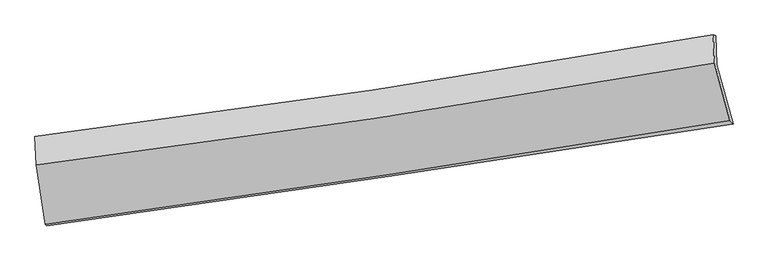
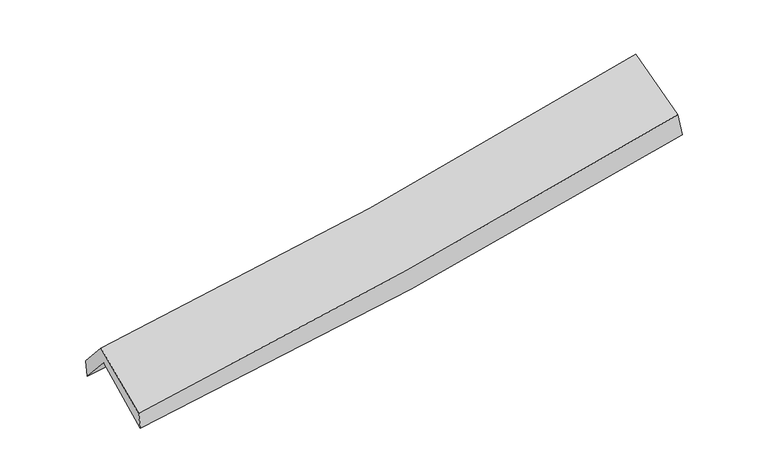
"""IFC4 building model written with IfcOpenShell, lengths in millimetres: proxy geometry."""

import ifcopenshell
import ifcopenshell.guid

model = None  # the IFC model being written
_history = None  # IfcOwnerHistory: only IFC2X3 demands one
_inside = {}  # id of a spatial element -> (the spatial element, [elements in it])
_under = {}  # id of a project, library or spatial element -> (it, [spatial elements below it])
_declared = {}  # id of a project -> (the project, [libraries it declares])
_typed = {}  # id of a type object -> (the type object, [elements of that type])
_made_of = {}  # id of a material, layer set ... -> (it, [elements and type objects made of it])


def new_model(schema):
    """Start an empty IFC model of exactly this schema.

    Asked for "IFC4X3", IfcOpenShell would pick the latest addendum, in which some entities
    have other attributes; the version numbers below select the first issue.
    IFC2X3 requires an IfcOwnerHistory on every rooted entity: one is made here for all.
    """
    global model, _history
    if schema == "IFC4X3":
        model = ifcopenshell.file(schema_version=(4, 3, 0, 0))
    else:
        model = ifcopenshell.file(schema=schema)
    _inside.clear()
    _under.clear()
    _declared.clear()
    _typed.clear()
    _made_of.clear()
    _history = None
    if model.schema == "IFC2X3":
        org = make("IfcOrganization", Name="unknown")
        user = make(
            "IfcPersonAndOrganization",
            ThePerson=make("IfcPerson", FamilyName="unknown"),
            TheOrganization=org,
        )
        app = make(
            "IfcApplication",
            ApplicationDeveloper=org,
            Version="unknown",
            ApplicationFullName="unknown",
            ApplicationIdentifier="unknown",
        )
        _history = make(
            "IfcOwnerHistory",
            OwningUser=user,
            OwningApplication=app,
            ChangeAction="ADDED",
            CreationDate=0,
        )
    return model


def make(cls, **values):
    """One entity of the class cls with the attributes given. An attribute that is None is left unset."""
    return model.create_entity(
        cls, **{name: value for name, value in values.items() if value is not None}
    )


def rooted(cls, **values):
    """An entity with a GlobalId (a new one), such as an element, a storey or a relation."""
    return make(cls, GlobalId=ifcopenshell.guid.new(), OwnerHistory=_history, **values)


def si_unit(unit_type, name, prefix=None):
    """IfcSIUnit, for example si_unit("LENGTHUNIT", "METRE", prefix="MILLI")."""
    return make("IfcSIUnit", UnitType=unit_type, Prefix=prefix, Name=name)


def assignment(units):
    """IfcUnitAssignment: the units of a project."""
    return None if units is None else make("IfcUnitAssignment", Units=units)


def point(xyz):
    """IfcCartesianPoint."""
    return None if xyz is None else make("IfcCartesianPoint", Coordinates=xyz)


def direction(xyz):
    """IfcDirection."""
    return None if xyz is None else make("IfcDirection", DirectionRatios=xyz)


def frame(location, z_axis=None, x_axis=None):
    """IfcAxis2Placement3D, a coordinate frame: its origin and axes. An axis left out is left unset."""
    return make(
        "IfcAxis2Placement3D",
        Location=point(location),
        Axis=direction(z_axis),
        RefDirection=direction(x_axis),
    )


def origin():
    """The frame at (0, 0, 0) with its axes left unset."""
    return frame((0.0, 0.0, 0.0))


def place(relative_to, where):
    """IfcLocalPlacement: puts the frame where relative to a parent placement (None: the world)."""
    return make(
        "IfcLocalPlacement", PlacementRelTo=relative_to, RelativePlacement=where
    )


def context(
    kind, dimensions, precision=None, world=None, true_north=None, identifier=None
):
    """IfcGeometricRepresentationContext, for example the 3D "Model" context."""
    return make(
        "IfcGeometricRepresentationContext",
        ContextIdentifier=identifier,
        ContextType=kind,
        CoordinateSpaceDimension=dimensions,
        Precision=precision,
        WorldCoordinateSystem=world,
        TrueNorth=true_north,
    )


def project(units=None, contexts=None):
    """IfcProject with its units and contexts."""
    return rooted(
        "IfcProject",
        Name="project",
        RepresentationContexts=contexts,
        UnitsInContext=assignment(units),
    )


def spatial(cls, under=None, at=None, **own):
    """A site, building, storey or space (cls), placed at a placement, below another one or the project."""
    s = rooted(cls, ObjectPlacement=at, **own)
    if under is not None:
        _under.setdefault(under.id(), (under, []))[1].append(s)
    return s


def shape(context_of_items, identifier, shape_type, items):
    """IfcShapeRepresentation: the items that make up one representation, for example the "Body"."""
    return make(
        "IfcShapeRepresentation",
        ContextOfItems=context_of_items,
        RepresentationIdentifier=identifier,
        RepresentationType=shape_type,
        Items=items,
    )


def source(mapping_origin, context_of_items, identifier, shape_type, items):
    """IfcRepresentationMap: a shape defined once, which mapped items show again and again."""
    return make(
        "IfcRepresentationMap",
        MappingOrigin=mapping_origin,
        MappedRepresentation=shape(context_of_items, identifier, shape_type, items),
    )


def transform(
    local_origin,
    x_axis=None,
    y_axis=None,
    z_axis=None,
    scale=None,
    scale2=None,
    scale3=None,
    uniform=True,
):
    """IfcCartesianTransformationOperator3D, or its non-uniform kind. x_axis, y_axis, z_axis: its Axis1, 2, 3."""
    if uniform:
        return make(
            "IfcCartesianTransformationOperator3D",
            Axis1=direction(x_axis),
            Axis2=direction(y_axis),
            LocalOrigin=point(local_origin),
            Scale=scale,
            Axis3=direction(z_axis),
        )
    return make(
        "IfcCartesianTransformationOperator3DnonUniform",
        Axis1=direction(x_axis),
        Axis2=direction(y_axis),
        LocalOrigin=point(local_origin),
        Scale=scale,
        Axis3=direction(z_axis),
        Scale2=scale2,
        Scale3=scale3,
    )


def mapped(mapping_source, mapping_target):
    """IfcMappedItem: shows the shape of a source again, moved by a transform."""
    return make(
        "IfcMappedItem", MappingSource=mapping_source, MappingTarget=mapping_target
    )


def made_of(thing, what):
    """Note that an element or type object is made of a material, layer set ...; save() writes the relation."""
    if what is not None:
        _made_of.setdefault(what.id(), (what, []))[1].append(thing)
    return thing


def element(
    cls,
    number,
    at=None,
    inside=None,
    cuts=None,
    type_object=None,
    material=None,
    context=None,
    identifier="Body",
    shape_type=None,
    held_by="IfcProductDefinitionShape",
    body=None,
    shapes=None,
    **own,
):
    """One element of the class cls, such as IfcWall. Its Tag is "e" and its number.

    at: its placement. inside: the storey or other place that contains it. cuts: it is an
    opening in that element (IfcRelVoidsElement). A single representation is given by context,
    identifier, shape_type and body (its items); several are given by shapes. held_by: the class
    of the entity that holds the representations. save() writes the other relations.
    """
    e = rooted(cls, Tag="e%d" % number, ObjectPlacement=at, **own)
    if body is not None:
        shapes = [shape(context, identifier, shape_type, body)]
    if shapes is not None:
        e.Representation = make(held_by, Representations=shapes)
    if inside is not None:
        _inside.setdefault(inside.id(), (inside, []))[1].append(e)
    if cuts is not None:
        rooted(
            "IfcRelVoidsElement", RelatingBuildingElement=cuts, RelatedOpeningElement=e
        )
    if type_object is not None:
        _typed.setdefault(type_object.id(), (type_object, []))[1].append(e)
    return made_of(e, material)


def aggregate(whole, parts):
    """IfcRelAggregates: a whole, such as a stair, and the parts it consists of."""
    return rooted("IfcRelAggregates", RelatingObject=whole, RelatedObjects=parts)


def save(model, path):
    """Write the relations noted so far, then the file.

    IfcRelAggregates (storeys below a building ...), IfcRelContainedInSpatialStructure (elements
    in a storey), IfcRelDefinesByType, IfcRelAssociatesMaterial and IfcRelDeclares: one each for
    every whole, place, type object, material and project.
    """
    for whole, parts in _under.values():
        aggregate(whole, parts)
    for where, things in _inside.values():
        rooted(
            "IfcRelContainedInSpatialStructure",
            RelatedElements=things,
            RelatingStructure=where,
        )
    for kind, things in _typed.values():
        rooted("IfcRelDefinesByType", RelatedObjects=things, RelatingType=kind)
    for what, things in _made_of.values():
        rooted("IfcRelAssociatesMaterial", RelatedObjects=things, RelatingMaterial=what)
    for by, libraries in _declared.values():
        rooted("IfcRelDeclares", RelatingContext=by, RelatedDefinitions=libraries)
    model.write(path)


def plane_surface(at):
    """IfcPlane: the flat surface through the origin of the frame at, square to its z axis."""
    return make("IfcPlane", Position=at)


def spline_curve(degree, points, multiplicities, knots, weights=None):
    """IfcBSplineCurveWithKnots; with weights, IfcRationalBSplineCurveWithKnots."""
    own = dict(
        Degree=degree,
        ControlPointsList=[point(p) for p in points],
        CurveForm="UNSPECIFIED",
        ClosedCurve=False,
        SelfIntersect=False,
        KnotMultiplicities=multiplicities,
        Knots=knots,
        KnotSpec="UNSPECIFIED",
    )
    if weights is None:
        return make("IfcBSplineCurveWithKnots", **own)
    return make("IfcRationalBSplineCurveWithKnots", WeightsData=weights, **own)


def spline_surface(u_degree, v_degree, points, u_multiplicities, v_multiplicities, u_knots, v_knots, weights=None):
    """IfcBSplineSurfaceWithKnots; with weights, IfcRationalBSplineSurfaceWithKnots. points: one row for each step in u."""
    own = dict(
        UDegree=u_degree,
        VDegree=v_degree,
        ControlPointsList=[[point(p) for p in row] for row in points],
        SurfaceForm="UNSPECIFIED",
        UClosed=False,
        VClosed=False,
        SelfIntersect=False,
        UMultiplicities=u_multiplicities,
        VMultiplicities=v_multiplicities,
        UKnots=u_knots,
        VKnots=v_knots,
        KnotSpec="UNSPECIFIED",
    )
    if weights is None:
        return make("IfcBSplineSurfaceWithKnots", **own)
    return make("IfcRationalBSplineSurfaceWithKnots", WeightsData=weights, **own)


def advanced_brep(points, edges, surfaces, faces):
    """IfcAdvancedBrep: a solid bounded by faces that lie on surfaces and meet in shared edges.

    An edge is (start, end): straight between two places in points (the first is 0);
    or (start, end, curve); or (start, end, curve, False) where it runs against its curve.
    A face is (place in surfaces, loops), or (place, loops, False) where it looks against
    its surface's normal. A loop lists edges by number (the first is 1), with a minus sign
    where the edge is run from its end to its start. The first loop is the outer one.
    """
    corners = [point(p) for p in points]
    vertices = [make("IfcVertexPoint", VertexGeometry=c) for c in corners]
    made = []
    for start, end, *more in edges:
        made.append(
            make(
                "IfcEdgeCurve",
                EdgeStart=vertices[start],
                EdgeEnd=vertices[end],
                EdgeGeometry=more[0] if more else make("IfcPolyline", Points=[corners[start], corners[end]]),
                SameSense=more[1] if len(more) > 1 else True,
            )
        )
    hull = []
    for where, loops, *sense in faces:
        bounds = []
        for j, loop in enumerate(loops):
            ring = [make("IfcOrientedEdge", EdgeElement=made[abs(k) - 1], Orientation=k > 0) for k in loop]
            bounds.append(
                make(
                    "IfcFaceOuterBound" if j == 0 else "IfcFaceBound",
                    Bound=make("IfcEdgeLoop", EdgeList=ring),
                    Orientation=True,
                )
            )
        hull.append(make("IfcAdvancedFace", Bounds=bounds, FaceSurface=surfaces[where], SameSense=sense[0] if sense else True))
    return make("IfcAdvancedBrep", Outer=make("IfcClosedShell", CfsFaces=hull))


def generic_models_60cdfc1a(model_context):
    return source(origin(), model_context, "Body", "AdvancedBrep", [
        advanced_brep(
        [(-2920.7306998, -2523.4950946, 1464.249809), (-3000.3702698, -2022.0976559, 1890.4165295), (2944.0569032, -1111.2585088, 2395.4921351), (3085.7465576, -1630.7850968, 1964.4334263), (-3012.0178609, -1753.9337944, 1586.873801), (2934.8546322, -855.8094714, 2083.3351384), (-3022.8629593, -1742.5372453, 1751.7260221), (2911.1697017, -850.507458, 2280.4968543), (-3012.1196135, -1989.8825616, 2031.7036141), (2922.6973267, -1099.3126276, 2562.304848), (-2931.3795028, -2511.1934716, 1624.0312419), (3056.5835644, -1599.67291, 2169.4788711)],
        [
            (0, 1),
            (1, 2, spline_curve(3, [(-3000.3702698, -2022.0976559, 1890.4165295), (-2009.675569713, -1891.161518147, 1934.793186609), (-1022.247535712, -1750.363740564, 1998.65878396), (959.316683219, -1447.017844981, 2166.489359611), (1953.364373519, -1284.202573654, 2270.982297769), (2944.0569032, -1111.2585088, 2395.4921351)], [4, 2, 4], [0.0, 9.88379535676816, 19.90057308563476])),
            (2, 3),
            (3, 0, spline_curve(3, [(3085.7465576, -1630.7850968, 1964.4334263), (2082.166523497, -1788.620882183, 1836.6127274), (1076.477962178, -1942.401472118, 1730.888553125), (-925.736737164, -2239.864512857, 1564.743491669), (-1922.207261866, -2383.653922117, 1503.739793478), (-2920.7306998, -2523.4950946, 1464.249809)], [4, 2, 4], [0.0, 10.016777728866602, 19.90057308563476])),
            (1, 4),
            (4, 5, spline_curve(3, [(-3012.0178609, -1753.9337944, 1586.873801), (-2019.910140159, -1628.387062749, 1620.854212918), (-1031.569812618, -1491.347450236, 1678.778658126), (950.82307799, -1192.284020598, 1843.617122141), (1944.773581234, -1029.94885845, 1951.179789293), (2934.8546322, -855.8094714, 2083.3351384)], [4, 2, 4], [0.0, 9.837094209164519, 19.806542445832733])),
            (5, 2),
            (4, 6),
            (6, 7, spline_curve(3, [(-3022.8629593, -1742.5372453, 1751.7260221), (-2033.949165581, -1618.846651589, 1809.613521191), (-1048.272206581, -1483.24242271, 1882.227982118), (929.826366871, -1186.221903342, 2058.085969941), (1922.160294876, -1024.482869417, 2161.728453283), (2911.1697017, -850.507458, 2280.4968543)], [4, 2, 4], [0.0, 9.82764675763403, 19.78752043122508])),
            (7, 5),
            (6, 8),
            (8, 9, spline_curve(3, [(-3012.1196135, -1989.8825616, 2031.7036141), (-2023.061262411, -1866.959534815, 2090.479531152), (-1037.247055796, -1731.861687904, 2163.691670951), (941.113142351, -1435.334861572, 2340.16766866), (1933.571248801, -1273.576063593, 2443.822606925), (2922.6973267, -1099.3126276, 2562.304848)], [4, 2, 4], [0.0, 9.818548928107726, 19.76920236464503])),
            (9, 7),
            (8, 10),
            (10, 11, spline_curve(3, [(-2931.3795028, -2511.1934716, 1624.0312419), (-1935.77844999, -2372.754978068, 1686.337983959), (-942.301180676, -2228.124927979, 1762.548053205), (1053.744042158, -1924.452471174, 1943.987286024), (2056.254461715, -1765.242334356, 2049.593092864), (3056.5835644, -1599.67291, 2169.4788711)], [4, 2, 4], [0.0, 9.864927820528075, 19.862584158270487])),
            (11, 9),
            (10, 0),
            (3, 11),
        ],
        [
            spline_surface(3, 3, [[(-2920.7306998, -2523.4950946, 1464.249809), (-1922.207261924, -2383.653922133, 1503.73979337), (-925.736737298, -2239.864512861, 1564.743491568), (1076.477962314, -1942.401472113, 1730.888553228), (2082.166523516, -1788.620882106, 1836.612727502), (3085.7465576, -1630.7850968, 1964.4334263)], [(-2947.277223161, -2356.362615035, 1606.305382488), (-1951.36336452, -2219.489787456, 1647.424257739), (-957.907003439, -2076.697588688, 1709.381922303), (1037.42420263, -1777.273596436, 1876.088822065), (2039.232473564, -1620.481446002, 1981.402584234), (3038.516672802, -1457.609567466, 2108.119662576)], [(-2973.823746439, -2189.230135465, 1748.360956012), (-1980.519467033, -2055.325652774, 1791.108722142), (-990.077269596, -1913.530664577, 1854.020353069), (998.370442929, -1612.145720821, 2021.289090931), (1996.298423605, -1452.342009902, 2126.192440937), (2991.286787998, -1284.434038134, 2251.805898824)], [(-3000.3702698, -2022.0976559, 1890.4165295), (-2009.67556963, -1891.161518097, 1934.793186511), (-1022.247535737, -1750.363740403, 1998.658783805), (959.316683245, -1447.017845144, 2166.489359768), (1953.364373653, -1284.202573798, 2270.98229767), (2944.0569032, -1111.2585088, 2395.4921351)]], [4, 4], [4, 2, 4], [0.0, 2.1836852946558727], [0.0, 9.88379535676816, 19.90057308563476]),
            spline_surface(3, 3, [[(-3000.3702698, -2022.0976559, 1890.4165295), (-2009.67556963, -1891.161518097, 1934.793186511), (-1022.247535737, -1750.363740403, 1998.658783805), (959.316683245, -1447.017845144, 2166.489359768), (1953.364373653, -1284.202573798, 2270.98229767), (2944.0569032, -1111.2585088, 2395.4921351)], [(-3004.25280016, -1932.709702074, 1789.235619999), (-2013.087093165, -1803.570033023, 1830.146861973), (-1025.35496136, -1664.024977079, 1892.032075266), (956.485481445, -1362.106570272, 2058.86528053), (1950.500776169, -1199.451335415, 2164.381461517), (2940.989479524, -1026.108829689, 2291.439802853)], [(-3008.13533054, -1843.321748226, 1688.054710501), (-2016.498616722, -1715.978547929, 1725.500537437), (-1028.462386917, -1577.686213692, 1785.40536674), (953.654279711, -1277.195295337, 1951.241201304), (1947.637178712, -1114.700096964, 2057.780625406), (2937.922055876, -940.959150511, 2187.387470647)], [(-3012.0178609, -1753.9337944, 1586.873801), (-2019.910140257, -1628.387062855, 1620.854212899), (-1031.569812541, -1491.347450367, 1678.778658201), (950.823077912, -1192.284020465, 1843.617122066), (1944.773581228, -1029.948858582, 1951.179789253), (2934.8546322, -855.8094714, 2083.3351384)]], [4, 4], [4, 2, 4], [0.0, 1.3501147481747784], [0.0, 9.837094209164519, 19.806542445832733]),
            spline_surface(3, 3, [[(-3012.0178609, -1753.9337944, 1586.873801), (-2019.910140257, -1628.387062855, 1620.854212899), (-1031.569812541, -1491.347450367, 1678.778658201), (950.823077912, -1192.284020465, 1843.617122066), (1944.773581228, -1029.948858582, 1951.179789253), (2934.8546322, -855.8094714, 2083.3351384)], [(-3015.632893691, -1750.134944694, 1641.824541354), (-2024.589815374, -1625.206925784, 1683.773982362), (-1037.137277227, -1488.645774512, 1746.595099528), (943.82417424, -1190.263314679, 1915.106738032), (1937.235819116, -1028.12686221, 2021.362677228), (2926.95965538, -854.042133586, 2149.055710376)], [(-3019.247926509, -1746.336095006, 1696.775281746), (-2029.269490518, -1622.02678873, 1746.693751862), (-1042.704741917, -1485.944098728, 1814.411540812), (936.825270564, -1188.242608963, 1986.596353953), (1929.698056963, -1026.304865881, 2091.545565174), (2919.06467852, -852.274795814, 2214.776282324)], [(-3022.8629593, -1742.5372453, 1751.7260221), (-2033.949165634, -1618.846651659, 1809.613521325), (-1048.272206603, -1483.242422873, 1882.22798214), (929.826366893, -1186.221903178, 2058.085969919), (1922.160294851, -1024.48286951, 2161.728453149), (2911.1697017, -850.507458, 2280.4968543)]], [4, 4], [4, 2, 4], [0.0, 0.6889804860258096], [0.0, 9.82764675763403, 19.78752043122508]),
            spline_surface(3, 3, [[(-3022.8629593, -1742.5372453, 1751.7260221), (-2033.949165634, -1618.846651659, 1809.613521325), (-1048.272206603, -1483.242422873, 1882.22798214), (929.826366893, -1186.221903178, 2058.085969919), (1922.160294851, -1024.48286951, 2161.728453149), (2911.1697017, -850.507458, 2280.4968543)], [(-3019.281844027, -1824.985684074, 1845.0518861), (-2030.319864546, -1701.550946031, 1903.235524585), (-1044.597156262, -1566.115511235, 1976.049211723), (933.588625366, -1269.259555981, 2152.11320286), (1925.963946196, -1107.513934247, 2255.759837735), (2915.012243348, -933.442514547, 2374.432852201)], [(-3015.700728773, -1907.434122826, 1938.3777501), (-2026.690563476, -1784.255240381, 1996.857527846), (-1040.92210601, -1648.988599562, 2069.870441296), (937.35088375, -1352.297208748, 2246.140435791), (1929.767597598, -1190.544998942, 2349.791222315), (2918.854785052, -1016.377571053, 2468.368850099)], [(-3012.1196135, -1989.8825616, 2031.7036141), (-2023.061262387, -1866.959534753, 2090.479531106), (-1037.247055669, -1731.861687925, 2163.691670879), (941.113142222, -1435.334861552, 2340.167668732), (1933.571248944, -1273.576063679, 2443.8226069), (2922.6973267, -1099.3126276, 2562.304848)]], [4, 4], [4, 2, 4], [0.0, 1.2339561887685973], [0.0, 9.818548928107726, 19.76920236464503]),
            spline_surface(3, 3, [[(-3012.1196135, -1989.8825616, 2031.7036141), (-2023.061262387, -1866.959534753, 2090.479531106), (-1037.247055669, -1731.861687925, 2163.691670879), (941.113142222, -1435.334861552, 2340.167668732), (1933.571248944, -1273.576063679, 2443.8226069), (2922.6973267, -1099.3126276, 2562.304848)], [(-2985.20624327, -2163.652864945, 1895.812823389), (-1993.966991614, -2035.558015919, 1955.765682029), (-1005.598430661, -1897.282767931, 2029.977131673), (978.656775522, -1598.374064773, 2208.107541081), (1974.465653235, -1437.464820534, 2312.412768854), (2967.326072607, -1266.099388368, 2431.362855715)], [(-2958.29287303, -2337.423168255, 1759.922032611), (-1964.872720829, -2204.156497049, 1821.051832885), (-973.94980565, -2062.703847934, 1896.262592561), (1016.200408824, -1761.413267991, 2076.047413524), (2015.360057505, -1601.353577486, 2181.002930761), (3011.954818493, -1432.886149232, 2300.420863385)], [(-2931.3795028, -2511.1934716, 1624.0312419), (-1935.778450056, -2372.754978215, 1686.337983808), (-942.301180642, -2228.124927941, 1762.548053355), (1053.744042124, -1924.452471213, 1943.987285873), (2056.254461796, -1765.242334341, 2049.593092714), (3056.5835644, -1599.67291, 2169.4788711)]], [4, 4], [4, 2, 4], [0.0, 2.1069001464580115], [0.0, 9.864927820528075, 19.862584158270487]),
            spline_surface(3, 3, [[(-2931.3795028, -2511.1934716, 1624.0312419), (-1935.778450056, -2372.754978215, 1686.337983808), (-942.301180642, -2228.124927941, 1762.548053355), (1053.744042124, -1924.452471213, 1943.987285873), (2056.254461796, -1765.242334341, 2049.593092714), (3056.5835644, -1599.67291, 2169.4788711)], [(-2927.82990179, -2515.294012578, 1570.770764269), (-1931.254720669, -2376.387959499, 1625.471920331), (-936.779699541, -2232.038122924, 1696.613199453), (1061.322015507, -1930.435471523, 1872.954375018), (2064.891815708, -1773.035183607, 1978.599637621), (3066.304562138, -1610.043638944, 2101.130389478)], [(-2924.28030081, -2519.394553622, 1517.510286631), (-1926.730991311, -2380.020940849, 1564.605856847), (-931.258218399, -2235.951317878, 1630.678345469), (1068.899988931, -1936.418471803, 1801.921464082), (2073.529169605, -1780.82803284, 1907.606182595), (3076.025559862, -1620.414367856, 2032.781907922)], [(-2920.7306998, -2523.4950946, 1464.249809), (-1922.207261924, -2383.653922133, 1503.73979337), (-925.736737298, -2239.864512861, 1564.743491568), (1076.477962314, -1942.401472113, 1730.888553228), (2082.166523516, -1788.620882106, 1836.612727502), (3085.7465576, -1630.7850968, 1964.4334263)]], [4, 4], [4, 2, 4], [0.0, 0.6792310711109254], [0.0, 9.92082223818425, 19.97512502981777]),
            plane_surface(frame((2975.8514476, -1191.2243454, 2242.5902122), z_axis=(0.9784001580232871, 0.1731813832626152, 0.11287754104007718), x_axis=(0.2059548977051621, -0.7696956200428205, -0.6042774467065226))),
            plane_surface(frame((-2983.2468177, -2090.5233039, 1724.8335029), z_axis=(-0.9924139010429389, -0.10851469589829996, -0.05778589612384166), x_axis=(-0.06630319121232507, 0.07659422898620437, 0.9948553718611921))),
        ],
        [
            (0, [[1, 2, 3, 4]]),
            (1, [[5, 6, 7, -2]]),
            (2, [[8, 9, 10, -6]]),
            (3, [[11, 12, 13, -9]]),
            (4, [[14, 15, 16, -12]]),
            (5, [[17, -4, 18, -15]]),
            (6, [[-16, -18, -3, -7, -10, -13]]),
            (7, [[-17, -14, -11, -8, -5, -1]]),
        ],
    ),
    ])


if __name__ == "__main__":
    model = new_model("IFC4")
    model_context = context("Model", 3, world=origin())
    ifc_project = project(units=[si_unit("LENGTHUNIT", "METRE", prefix="MILLI")], contexts=[model_context])
    site = spatial("IfcSite", under=ifc_project)
    building = spatial("IfcBuilding", under=site)
    placement = place(None, origin())
    generic_models_shape = generic_models_60cdfc1a(model_context)
    element("IfcBuildingElementProxy", 1, Name="Generic Models", at=placement, inside=building, context=model_context, shape_type="MappedRepresentation", body=[
        mapped(generic_models_shape, transform((0.0, 0.0, 0.0), x_axis=(1.0, 0.0, 0.0), y_axis=(0.0, 1.0, 0.0), z_axis=(0.0, 0.0, 1.0))),
    ])
    save(model, "model.ifc")
